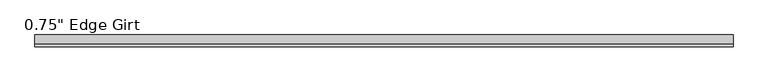
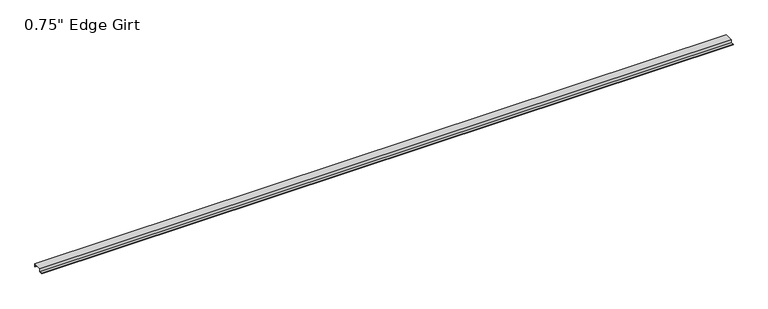
"""IFC4 building model written with IfcOpenShell, lengths in millimetres: proxy geometry."""

from ifc_helpers import new_model, si_unit, frame, origin, place, context, project, spatial, polyline, outline, extrude, source, transform, mapped, element, save


def proxy_7cc2f03b(model_context):
    return source(origin(), model_context, "Body", "SweptSolid", [
        extrude(outline(polyline([(-46.0559645, -17.4375), (-46.0559645, -15.8242), (-27.0129, -15.8242), (-27.0129, 1.6129), (27.0129, 1.6129), (27.0129, -17.4375), (25.4, -17.4375), (25.4, 0.0), (-25.4, 0.0), (-25.4, -17.4375), (-46.0559645, -17.4375)])), frame((0.0, 0.0, 0.0), z_axis=(1.0, 0.0, 0.0), x_axis=(0.0, 1.0, 0.0)), (0.0, 0.0, 1.0), 4246.563),
    ])


if __name__ == "__main__":
    model = new_model("IFC4")
    model_context = context("Model", 3, world=origin())
    ifc_project = project(units=[si_unit("LENGTHUNIT", "METRE", prefix="MILLI")], contexts=[model_context])
    site = spatial("IfcSite", under=ifc_project)
    building = spatial("IfcBuilding", under=site)
    placement = place(None, origin())
    proxy_shape = proxy_7cc2f03b(model_context)
    element("IfcBuildingElementProxy", 1, Name="0.75\" Edge Girt", ObjectType="0.75\" Edge Girt", at=placement, inside=building, context=model_context, shape_type="MappedRepresentation", body=[
        mapped(proxy_shape, transform((0.0, 0.0, 0.0), x_axis=(1.0, 0.0, 0.0), y_axis=(0.0, 1.0, 0.0), z_axis=(0.0, 0.0, 1.0))),
    ])
    save(model, "model.ifc")
